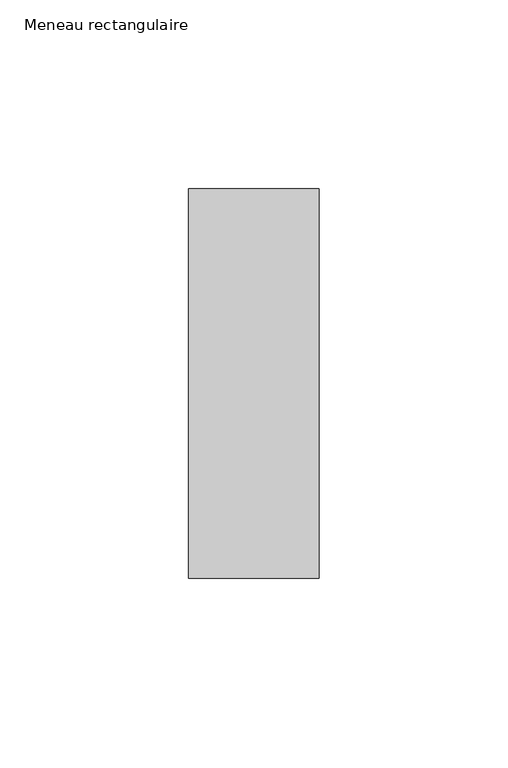
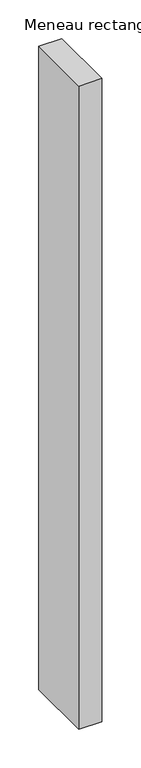
"""IFC4 building model written with IfcOpenShell, lengths in millimetres: member geometry, Meneau rectangulaire."""

from ifc_helpers import new_model, si_unit, frame, origin, place, context, project, spatial, polyline, outline, extrude, source, transform, mapped, element, save


def meneau_rectangulaire_9addb4e3(model_context):
    return source(origin(), model_context, "Body", "SweptSolid", [
        extrude(outline(polyline([(-34.5, 51.5), (0.0, 51.5), (0.0, -51.5), (-34.5, -51.5), (-34.5, 51.5)])), frame((0.0, 0.0, -1013.1330689), z_axis=(0.0, 0.0, 1.0), x_axis=(1.0, 0.0, 0.0)), (0.0, 0.0, 1.0), 1013.1330689),
    ])


if __name__ == "__main__":
    model = new_model("IFC4")
    model_context = context("Model", 3, world=origin())
    ifc_project = project(units=[si_unit("LENGTHUNIT", "METRE", prefix="MILLI")], contexts=[model_context])
    site = spatial("IfcSite", under=ifc_project)
    building = spatial("IfcBuilding", under=site)
    placement = place(None, origin())
    meneau_rectangulaire_shape = meneau_rectangulaire_9addb4e3(model_context)
    element("IfcMember", 1, ObjectType="Meneau rectangulaire", at=placement, inside=building, context=model_context, shape_type="MappedRepresentation", body=[
        mapped(meneau_rectangulaire_shape, transform((0.0, 0.0, 0.0), x_axis=(1.0, 0.0, 0.0), y_axis=(0.0, 1.0, 0.0), z_axis=(0.0, 0.0, 1.0))),
    ])
    save(model, "model.ifc")
